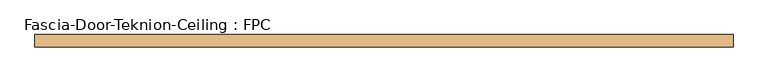
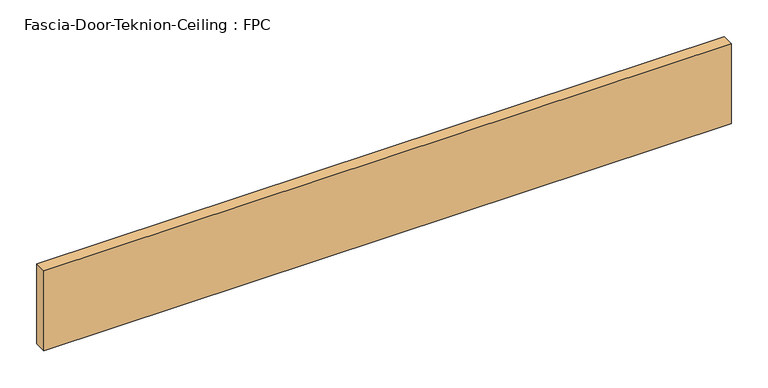
"""IFC4 building model written with IfcOpenShell, lengths in millimetres: door geometry, Fascia-Door-Teknion-Ceiling : FPC."""

import ifcopenshell
import ifcopenshell.guid

model = None  # the IFC model being written
_history = None  # IfcOwnerHistory: only IFC2X3 demands one
_inside = {}  # id of a spatial element -> (the spatial element, [elements in it])
_under = {}  # id of a project, library or spatial element -> (it, [spatial elements below it])
_declared = {}  # id of a project -> (the project, [libraries it declares])
_typed = {}  # id of a type object -> (the type object, [elements of that type])
_made_of = {}  # id of a material, layer set ... -> (it, [elements and type objects made of it])


def new_model(schema):
    """Start an empty IFC model of exactly this schema.

    Asked for "IFC4X3", IfcOpenShell would pick the latest addendum, in which some entities
    have other attributes; the version numbers below select the first issue.
    IFC2X3 requires an IfcOwnerHistory on every rooted entity: one is made here for all.
    """
    global model, _history
    if schema == "IFC4X3":
        model = ifcopenshell.file(schema_version=(4, 3, 0, 0))
    else:
        model = ifcopenshell.file(schema=schema)
    _inside.clear()
    _under.clear()
    _declared.clear()
    _typed.clear()
    _made_of.clear()
    _history = None
    if model.schema == "IFC2X3":
        org = make("IfcOrganization", Name="unknown")
        user = make(
            "IfcPersonAndOrganization",
            ThePerson=make("IfcPerson", FamilyName="unknown"),
            TheOrganization=org,
        )
        app = make(
            "IfcApplication",
            ApplicationDeveloper=org,
            Version="unknown",
            ApplicationFullName="unknown",
            ApplicationIdentifier="unknown",
        )
        _history = make(
            "IfcOwnerHistory",
            OwningUser=user,
            OwningApplication=app,
            ChangeAction="ADDED",
            CreationDate=0,
        )
    return model


def make(cls, **values):
    """One entity of the class cls with the attributes given. An attribute that is None is left unset."""
    return model.create_entity(
        cls, **{name: value for name, value in values.items() if value is not None}
    )


def rooted(cls, **values):
    """An entity with a GlobalId (a new one), such as an element, a storey or a relation."""
    return make(cls, GlobalId=ifcopenshell.guid.new(), OwnerHistory=_history, **values)


def si_unit(unit_type, name, prefix=None):
    """IfcSIUnit, for example si_unit("LENGTHUNIT", "METRE", prefix="MILLI")."""
    return make("IfcSIUnit", UnitType=unit_type, Prefix=prefix, Name=name)


def assignment(units):
    """IfcUnitAssignment: the units of a project."""
    return None if units is None else make("IfcUnitAssignment", Units=units)


def point(xyz):
    """IfcCartesianPoint."""
    return None if xyz is None else make("IfcCartesianPoint", Coordinates=xyz)


def direction(xyz):
    """IfcDirection."""
    return None if xyz is None else make("IfcDirection", DirectionRatios=xyz)


def frame(location, z_axis=None, x_axis=None):
    """IfcAxis2Placement3D, a coordinate frame: its origin and axes. An axis left out is left unset."""
    return make(
        "IfcAxis2Placement3D",
        Location=point(location),
        Axis=direction(z_axis),
        RefDirection=direction(x_axis),
    )


def origin():
    """The frame at (0, 0, 0) with its axes left unset."""
    return frame((0.0, 0.0, 0.0))


def origin_with_axes():
    """The frame at (0, 0, 0) with the z axis (0, 0, 1) and the x axis (1, 0, 0) written out."""
    return frame((0.0, 0.0, 0.0), z_axis=(0.0, 0.0, 1.0), x_axis=(1.0, 0.0, 0.0))


def place(relative_to, where):
    """IfcLocalPlacement: puts the frame where relative to a parent placement (None: the world)."""
    return make(
        "IfcLocalPlacement", PlacementRelTo=relative_to, RelativePlacement=where
    )


def context(
    kind, dimensions, precision=None, world=None, true_north=None, identifier=None
):
    """IfcGeometricRepresentationContext, for example the 3D "Model" context."""
    return make(
        "IfcGeometricRepresentationContext",
        ContextIdentifier=identifier,
        ContextType=kind,
        CoordinateSpaceDimension=dimensions,
        Precision=precision,
        WorldCoordinateSystem=world,
        TrueNorth=true_north,
    )


def project(units=None, contexts=None):
    """IfcProject with its units and contexts."""
    return rooted(
        "IfcProject",
        Name="project",
        RepresentationContexts=contexts,
        UnitsInContext=assignment(units),
    )


def spatial(cls, under=None, at=None, **own):
    """A site, building, storey or space (cls), placed at a placement, below another one or the project."""
    s = rooted(cls, ObjectPlacement=at, **own)
    if under is not None:
        _under.setdefault(under.id(), (under, []))[1].append(s)
    return s


def polyline(points):
    """IfcPolyline through the points."""
    return make("IfcPolyline", Points=[point(p) for p in points])


def outline(outer, holes=None, kind="AREA"):
    """IfcArbitraryClosedProfileDef: a profile drawn as a closed curve; with holes, ...WithVoids."""
    if holes is None:
        return make("IfcArbitraryClosedProfileDef", ProfileType=kind, OuterCurve=outer)
    return make(
        "IfcArbitraryProfileDefWithVoids",
        ProfileType=kind,
        OuterCurve=outer,
        InnerCurves=holes,
    )


def extrude(swept, where, along, depth):
    """IfcExtrudedAreaSolid: the profile swept, set in the frame where, extruded along a direction by depth."""
    return make(
        "IfcExtrudedAreaSolid",
        SweptArea=swept,
        Position=where,
        ExtrudedDirection=direction(along),
        Depth=depth,
    )


def shape(context_of_items, identifier, shape_type, items):
    """IfcShapeRepresentation: the items that make up one representation, for example the "Body"."""
    return make(
        "IfcShapeRepresentation",
        ContextOfItems=context_of_items,
        RepresentationIdentifier=identifier,
        RepresentationType=shape_type,
        Items=items,
    )


def source(mapping_origin, context_of_items, identifier, shape_type, items):
    """IfcRepresentationMap: a shape defined once, which mapped items show again and again."""
    return make(
        "IfcRepresentationMap",
        MappingOrigin=mapping_origin,
        MappedRepresentation=shape(context_of_items, identifier, shape_type, items),
    )


def transform(
    local_origin,
    x_axis=None,
    y_axis=None,
    z_axis=None,
    scale=None,
    scale2=None,
    scale3=None,
    uniform=True,
):
    """IfcCartesianTransformationOperator3D, or its non-uniform kind. x_axis, y_axis, z_axis: its Axis1, 2, 3."""
    if uniform:
        return make(
            "IfcCartesianTransformationOperator3D",
            Axis1=direction(x_axis),
            Axis2=direction(y_axis),
            LocalOrigin=point(local_origin),
            Scale=scale,
            Axis3=direction(z_axis),
        )
    return make(
        "IfcCartesianTransformationOperator3DnonUniform",
        Axis1=direction(x_axis),
        Axis2=direction(y_axis),
        LocalOrigin=point(local_origin),
        Scale=scale,
        Axis3=direction(z_axis),
        Scale2=scale2,
        Scale3=scale3,
    )


def mapped(mapping_source, mapping_target):
    """IfcMappedItem: shows the shape of a source again, moved by a transform."""
    return make(
        "IfcMappedItem", MappingSource=mapping_source, MappingTarget=mapping_target
    )


def made_of(thing, what):
    """Note that an element or type object is made of a material, layer set ...; save() writes the relation."""
    if what is not None:
        _made_of.setdefault(what.id(), (what, []))[1].append(thing)
    return thing


def element(
    cls,
    number,
    at=None,
    inside=None,
    cuts=None,
    type_object=None,
    material=None,
    context=None,
    identifier="Body",
    shape_type=None,
    held_by="IfcProductDefinitionShape",
    body=None,
    shapes=None,
    **own,
):
    """One element of the class cls, such as IfcWall. Its Tag is "e" and its number.

    at: its placement. inside: the storey or other place that contains it. cuts: it is an
    opening in that element (IfcRelVoidsElement). A single representation is given by context,
    identifier, shape_type and body (its items); several are given by shapes. held_by: the class
    of the entity that holds the representations. save() writes the other relations.
    """
    e = rooted(cls, Tag="e%d" % number, ObjectPlacement=at, **own)
    if body is not None:
        shapes = [shape(context, identifier, shape_type, body)]
    if shapes is not None:
        e.Representation = make(held_by, Representations=shapes)
    if inside is not None:
        _inside.setdefault(inside.id(), (inside, []))[1].append(e)
    if cuts is not None:
        rooted(
            "IfcRelVoidsElement", RelatingBuildingElement=cuts, RelatedOpeningElement=e
        )
    if type_object is not None:
        _typed.setdefault(type_object.id(), (type_object, []))[1].append(e)
    return made_of(e, material)


def aggregate(whole, parts):
    """IfcRelAggregates: a whole, such as a stair, and the parts it consists of."""
    return rooted("IfcRelAggregates", RelatingObject=whole, RelatedObjects=parts)


def save(model, path):
    """Write the relations noted so far, then the file.

    IfcRelAggregates (storeys below a building ...), IfcRelContainedInSpatialStructure (elements
    in a storey), IfcRelDefinesByType, IfcRelAssociatesMaterial and IfcRelDeclares: one each for
    every whole, place, type object, material and project.
    """
    for whole, parts in _under.values():
        aggregate(whole, parts)
    for where, things in _inside.values():
        rooted(
            "IfcRelContainedInSpatialStructure",
            RelatedElements=things,
            RelatingStructure=where,
        )
    for kind, things in _typed.values():
        rooted("IfcRelDefinesByType", RelatedObjects=things, RelatingType=kind)
    for what, things in _made_of.values():
        rooted("IfcRelAssociatesMaterial", RelatedObjects=things, RelatingMaterial=what)
    for by, libraries in _declared.values():
        rooted("IfcRelDeclares", RelatingContext=by, RelatedDefinitions=libraries)
    model.write(path)


def fascia_door_teknion_ceiling_fpc_97e50246(model_context):
    return source(origin(), model_context, "Body", "SweptSolid", [
        extrude(outline(polyline([(537.5175781, 0.0), (537.5175781, -19.05), (-537.5175781, -19.05), (-537.5175781, 0.0), (537.5175781, 0.0)])), origin_with_axes(), (0.0, 0.0, 1.0), 132.08),
    ])


if __name__ == "__main__":
    model = new_model("IFC4")
    model_context = context("Model", 3, world=origin())
    ifc_project = project(units=[si_unit("LENGTHUNIT", "METRE", prefix="MILLI")], contexts=[model_context])
    site = spatial("IfcSite", under=ifc_project)
    building = spatial("IfcBuilding", under=site)
    placement = place(None, origin())
    fascia_door_teknion_ceiling_fpc_shape = fascia_door_teknion_ceiling_fpc_97e50246(model_context)
    element("IfcDoor", 1, ObjectType="Fascia-Door-Teknion-Ceiling : FPC", at=placement, inside=building, context=model_context, shape_type="MappedRepresentation", body=[
        mapped(fascia_door_teknion_ceiling_fpc_shape, transform((0.0, 0.0, 0.0), x_axis=(1.0, 0.0, 0.0), y_axis=(0.0, 1.0, 0.0), z_axis=(0.0, 0.0, 1.0))),
    ])
    save(model, "model.ifc")
